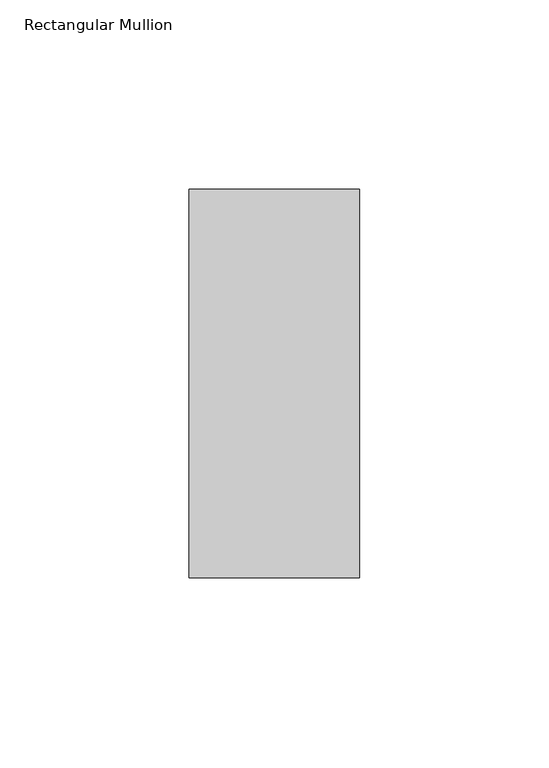
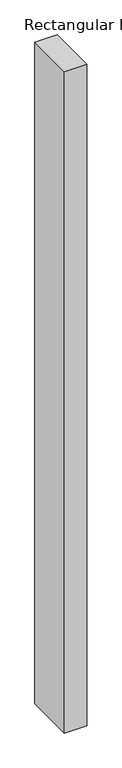
"""IFC4 building model written with IfcOpenShell, lengths in millimetres: member geometry, Rectangular Mullion."""

from ifc_helpers import new_model, si_unit, frame, origin, place, context, project, spatial, polyline, outline, extrude, source, transform, mapped, element, save


def rectangular_mullion_6647ec18(model_context):
    return source(origin(), model_context, "Body", "SweptSolid", [
        extrude(outline(polyline([(22.5, 66.73125), (22.5, -35.73125), (-22.5, -35.73125), (-22.5, 66.73125), (22.5, 66.73125)])), frame((0.0, 0.0, -1398.2316406), z_axis=(0.0, 0.0, 1.0), x_axis=(1.0, 0.0, 0.0)), (0.0, 0.0, 1.0), 1398.2316406),
    ])


if __name__ == "__main__":
    model = new_model("IFC4")
    model_context = context("Model", 3, world=origin())
    ifc_project = project(units=[si_unit("LENGTHUNIT", "METRE", prefix="MILLI")], contexts=[model_context])
    site = spatial("IfcSite", under=ifc_project)
    building = spatial("IfcBuilding", under=site)
    placement = place(None, origin())
    rectangular_mullion_shape = rectangular_mullion_6647ec18(model_context)
    element("IfcMember", 1, ObjectType="Rectangular Mullion", at=placement, inside=building, context=model_context, shape_type="MappedRepresentation", body=[
        mapped(rectangular_mullion_shape, transform((0.0, 0.0, 0.0), x_axis=(1.0, 0.0, 0.0), y_axis=(0.0, 1.0, 0.0), z_axis=(0.0, 0.0, 1.0))),
    ])
    save(model, "model.ifc")
